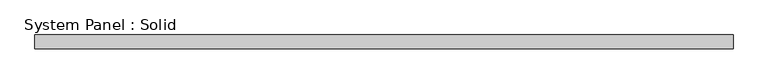
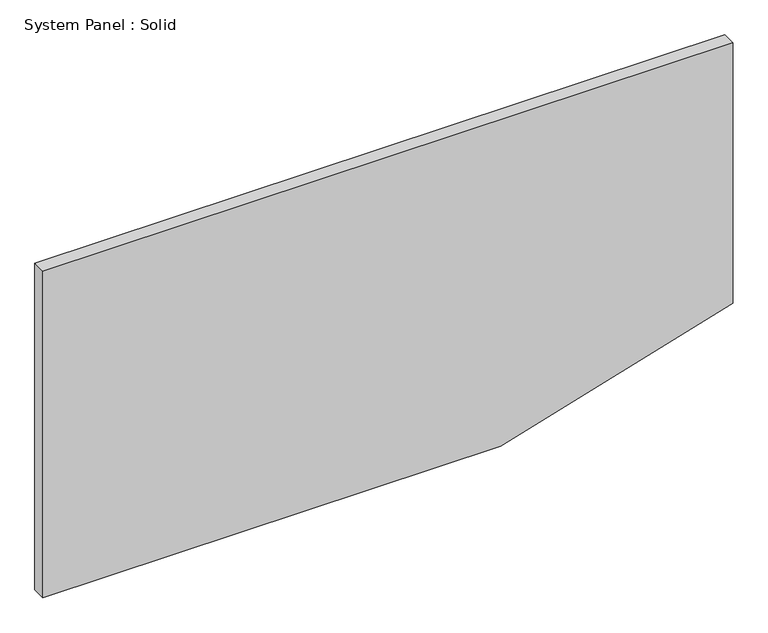
"""IFC4 building model written with IfcOpenShell, lengths in millimetres: plate geometry, System Panel : Solid."""

from ifc_helpers import new_model, si_unit, frame, origin, place, context, project, spatial, polyline, outline, extrude, source, transform, mapped, element, save


def system_panel_solid_3e2414fe(model_context):
    return source(origin(), model_context, "Body", "SweptSolid", [
        extrude(outline(polyline([(0.0, -1500.0), (0.0, 490.2905525), (303.502202, 1500.0), (1500.0, 1500.0), (1500.0, -1500.0), (0.0, -1500.0)])), frame((0.0, -10.5, 0.0), z_axis=(0.0, 1.0, 0.0), x_axis=(0.0, 0.0, 1.0)), (0.0, 0.0, 1.0), 60.0),
    ])


if __name__ == "__main__":
    model = new_model("IFC4")
    model_context = context("Model", 3, world=origin())
    ifc_project = project(units=[si_unit("LENGTHUNIT", "METRE", prefix="MILLI")], contexts=[model_context])
    site = spatial("IfcSite", under=ifc_project)
    building = spatial("IfcBuilding", under=site)
    placement = place(None, origin())
    system_panel_solid_shape = system_panel_solid_3e2414fe(model_context)
    element("IfcPlate", 1, ObjectType="System Panel : Solid", at=placement, inside=building, context=model_context, shape_type="MappedRepresentation", body=[
        mapped(system_panel_solid_shape, transform((0.0, 0.0, 0.0), x_axis=(1.0, 0.0, 0.0), y_axis=(0.0, 1.0, 0.0), z_axis=(0.0, 0.0, 1.0))),
    ])
    save(model, "model.ifc")
